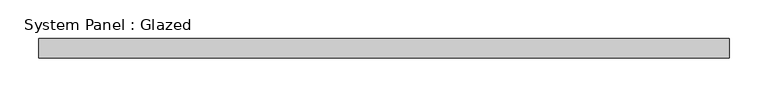
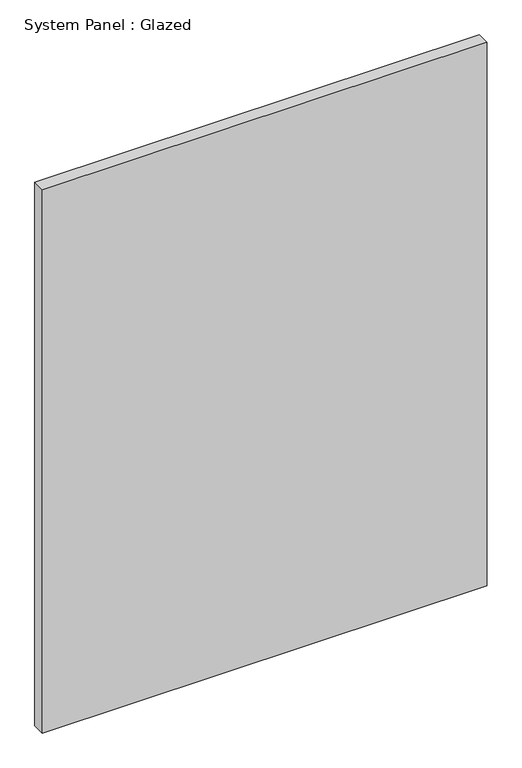
"""IFC4 building model written with IfcOpenShell, lengths in millimetres: plate geometry, System Panel : Glazed."""

from ifc_helpers import new_model, si_unit, origin, origin_with_axes, place, context, project, spatial, polyline, outline, extrude, source, transform, mapped, element, save


def system_panel_glazed_39e61f1a(model_context):
    return source(origin(), model_context, "Body", "SweptSolid", [
        extrude(outline(polyline([(444.9757381, -12.7), (-444.9757381, -12.7), (-444.9757381, 12.7), (444.9757381, 12.7), (444.9757381, -12.7)])), origin_with_axes(), (0.0, 0.0, 1.0), 1149.35),
    ])


if __name__ == "__main__":
    model = new_model("IFC4")
    model_context = context("Model", 3, world=origin())
    ifc_project = project(units=[si_unit("LENGTHUNIT", "METRE", prefix="MILLI")], contexts=[model_context])
    site = spatial("IfcSite", under=ifc_project)
    building = spatial("IfcBuilding", under=site)
    placement = place(None, origin())
    system_panel_glazed_shape = system_panel_glazed_39e61f1a(model_context)
    element("IfcPlate", 1, ObjectType="System Panel : Glazed", at=placement, inside=building, context=model_context, shape_type="MappedRepresentation", body=[
        mapped(system_panel_glazed_shape, transform((0.0, 0.0, 0.0), x_axis=(1.0, 0.0, 0.0), y_axis=(0.0, 1.0, 0.0), z_axis=(0.0, 0.0, 1.0))),
    ])
    save(model, "model.ifc")
